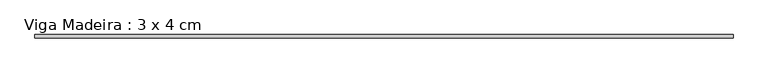
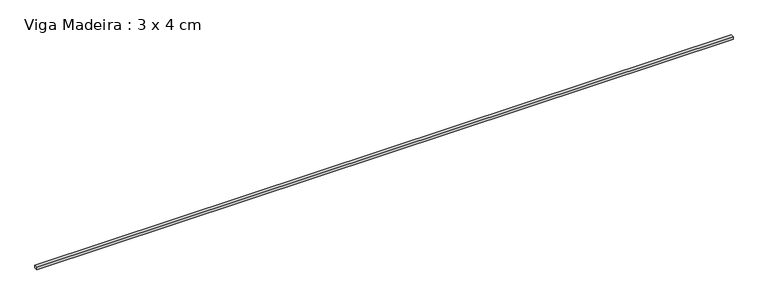
"""IFC4 building model written with IfcOpenShell, lengths in millimetres: beam geometry, Viga Madeira : 3 x 4 cm."""

from ifc_helpers import new_model, si_unit, frame, origin, place, context, project, spatial, polyline, outline, extrude, source, transform, mapped, element, save


def viga_madeira_3_x_4_cm_0ed96880(model_context):
    return source(origin(), model_context, "Body", "SweptSolid", [
        extrude(outline(polyline([(4194.5694348, 20.0), (4194.5694348, -20.0), (-4194.5694348, -20.0), (-4194.5694348, 20.0), (4194.5694348, 20.0)])), frame((0.0, 0.0, -15.0), z_axis=(0.0, 0.0, 1.0), x_axis=(1.0, 0.0, 0.0)), (0.0, 0.0, 1.0), 30.0),
    ])


if __name__ == "__main__":
    model = new_model("IFC4")
    model_context = context("Model", 3, world=origin())
    ifc_project = project(units=[si_unit("LENGTHUNIT", "METRE", prefix="MILLI")], contexts=[model_context])
    site = spatial("IfcSite", under=ifc_project)
    building = spatial("IfcBuilding", under=site)
    placement = place(None, origin())
    viga_madeira_3_x_4_cm_shape = viga_madeira_3_x_4_cm_0ed96880(model_context)
    element("IfcBeam", 1, ObjectType="Viga Madeira : 3 x 4 cm", at=placement, inside=building, context=model_context, shape_type="MappedRepresentation", body=[
        mapped(viga_madeira_3_x_4_cm_shape, transform((0.0, 0.0, 0.0), x_axis=(1.0, 0.0, 0.0), y_axis=(0.0, 1.0, 0.0), z_axis=(0.0, 0.0, 1.0))),
    ])
    save(model, "model.ifc")
